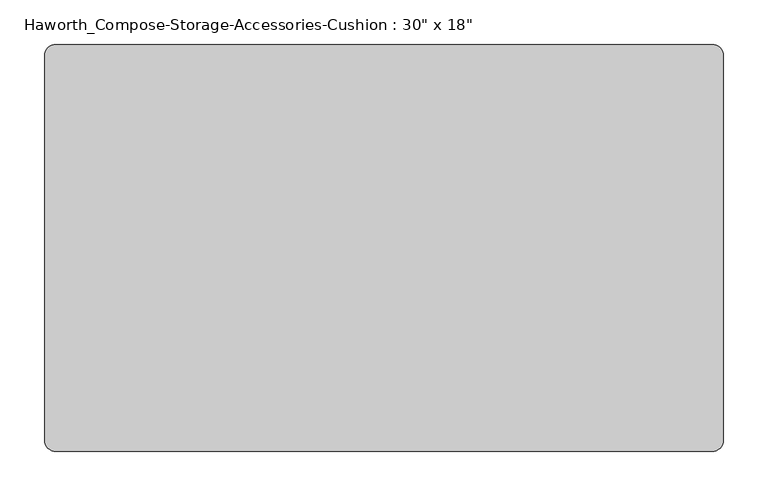
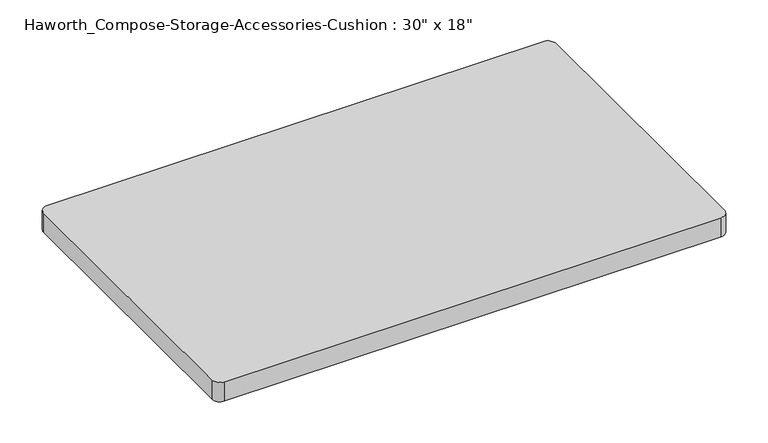
"""IFC4 building model written with IfcOpenShell, lengths in millimetres: furniture geometry."""

from ifc_helpers import new_model, si_unit, point, frame, frame_2d, origin, place, context, project, spatial, polyline, circle_curve, trimmed, segment, composite_curve, outline, extrude, source, transform, mapped, element, save


def furniture_e92975f2(model_context):
    return source(origin(), model_context, "Body", "SweptSolid", [
        extrude(outline(composite_curve([segment(trimmed(circle_curve(frame_2d((368.3, 215.9)), 12.7), [point((368.3, 228.6))], [point((381.0, 215.9))], False, "CARTESIAN"), True, "CONTINUOUS"), segment(polyline([(381.0, 215.9), (381.0, -215.9)]), True, "CONTINUOUS"), segment(trimmed(circle_curve(frame_2d((368.3, -215.9)), 12.7), [point((381.0, -215.9))], [point((368.3, -228.6))], False, "CARTESIAN"), True, "CONTINUOUS"), segment(polyline([(368.3, -228.6), (-368.3, -228.6)]), True, "CONTINUOUS"), segment(trimmed(circle_curve(frame_2d((-368.3, -215.9)), 12.7), [point((-368.3, -228.6))], [point((-381.0, -215.9))], False, "CARTESIAN"), True, "CONTINUOUS"), segment(polyline([(-381.0, -215.9), (-381.0, 215.9)]), True, "CONTINUOUS"), segment(trimmed(circle_curve(frame_2d((-368.3, 215.9)), 12.7), [point((-381.0, 215.9))], [point((-368.3, 228.6))], False, "CARTESIAN"), True, "CONTINUOUS"), segment(polyline([(-368.3, 228.6), (368.3, 228.6)]), True, "CONTINUOUS")], self_intersect=False)), frame((0.0, 0.0, 609.6), z_axis=(0.0, 0.0, 1.0), x_axis=(1.0, 0.0, 0.0)), (0.0, 0.0, 1.0), 30.1625),
    ])


if __name__ == "__main__":
    model = new_model("IFC4")
    model_context = context("Model", 3, world=origin())
    ifc_project = project(units=[si_unit("LENGTHUNIT", "METRE", prefix="MILLI")], contexts=[model_context])
    site = spatial("IfcSite", under=ifc_project)
    building = spatial("IfcBuilding", under=site)
    placement = place(None, origin())
    furniture_shape = furniture_e92975f2(model_context)
    element("IfcFurniture", 1, ObjectType="Haworth_Compose-Storage-Accessories-Cushion : 30\" x 18\"", at=placement, inside=building, context=model_context, shape_type="MappedRepresentation", body=[
        mapped(furniture_shape, transform((0.0, 0.0, 0.0), x_axis=(1.0, 0.0, 0.0), y_axis=(0.0, 1.0, 0.0), z_axis=(0.0, 0.0, 1.0))),
    ])
    save(model, "model.ifc")
